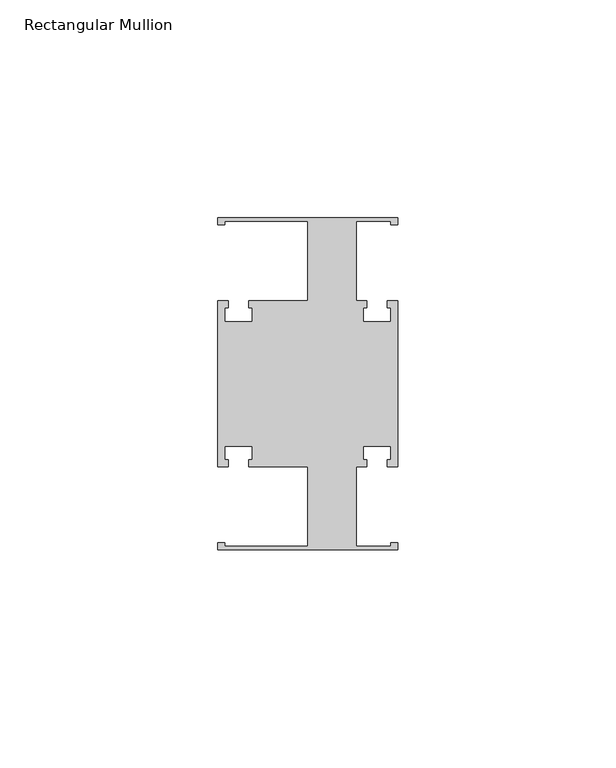
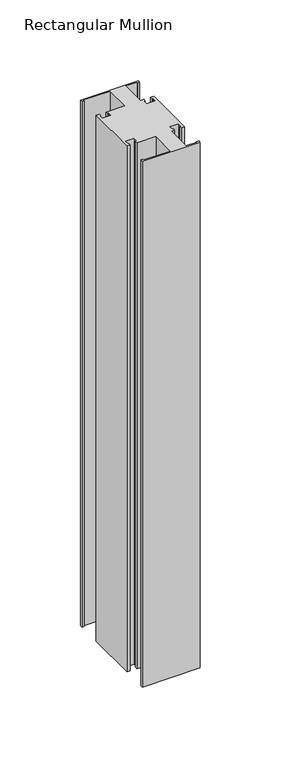
"""IFC4 building model written with IfcOpenShell, lengths in millimetres: member geometry, Rectangular Mullion."""

from ifc_helpers import new_model, si_unit, frame, origin, place, context, project, spatial, polyline, outline, extrude, source, transform, mapped, element, save


def rectangular_mullion_f8d72350(model_context):
    return source(origin(), model_context, "Body", "SweptSolid", [
        extrude(outline(polyline([(20.6375, -38.1), (-20.6375, -38.1), (-20.6375, -36.5125), (-19.05, -36.5125), (-19.05, -37.30625), (0.0, -37.30625), (0.0, -19.05), (-13.49375, -19.05), (-13.49375, -17.4625), (-12.7, -17.4625), (-12.7, -14.2875), (-19.05, -14.2875), (-19.05, -17.4625), (-18.25625, -17.4625), (-18.25625, -19.05), (-20.6375, -19.05), (-20.6375, 19.05), (-18.25625, 19.05), (-18.25625, 17.4625), (-19.05, 17.4625), (-19.05, 14.2875), (-12.7, 14.2875), (-12.7, 17.4625), (-13.49375, 17.4625), (-13.49375, 19.05), (0.0, 19.05), (0.0, 37.30625), (-19.05, 37.30625), (-19.05, 36.5125), (-20.6375, 36.5125), (-20.6375, 38.1), (20.6375, 38.1), (20.6375, 36.5125), (19.05, 36.5125), (19.05, 37.30625), (11.1125, 37.30625), (11.1125, 19.05), (13.49375, 19.05), (13.49375, 17.4625), (12.7, 17.4625), (12.7, 14.2875), (19.05, 14.2875), (19.05, 17.4625), (18.25625, 17.4625), (18.25625, 19.05), (20.6375, 19.05), (20.6375, -19.05), (18.25625, -19.05), (18.25625, -17.4625), (19.05, -17.4625), (19.05, -14.2875), (12.7, -14.2875), (12.7, -17.4625), (13.49375, -17.4625), (13.49375, -19.05), (11.1125, -19.05), (11.1125, -37.30625), (19.05, -37.30625), (19.05, -36.5125), (20.6375, -36.5125), (20.6375, -38.1)])), frame((0.0, 0.0, -396.875), z_axis=(0.0, 0.0, 1.0), x_axis=(1.0, 0.0, 0.0)), (0.0, 0.0, 1.0), 396.875),
    ])


if __name__ == "__main__":
    model = new_model("IFC4")
    model_context = context("Model", 3, world=origin())
    ifc_project = project(units=[si_unit("LENGTHUNIT", "METRE", prefix="MILLI")], contexts=[model_context])
    site = spatial("IfcSite", under=ifc_project)
    building = spatial("IfcBuilding", under=site)
    placement = place(None, origin())
    rectangular_mullion_shape = rectangular_mullion_f8d72350(model_context)
    element("IfcMember", 1, ObjectType="Rectangular Mullion", at=placement, inside=building, context=model_context, shape_type="MappedRepresentation", body=[
        mapped(rectangular_mullion_shape, transform((0.0, 0.0, 0.0), x_axis=(1.0, 0.0, 0.0), y_axis=(0.0, 1.0, 0.0), z_axis=(0.0, 0.0, 1.0))),
    ])
    save(model, "model.ifc")
